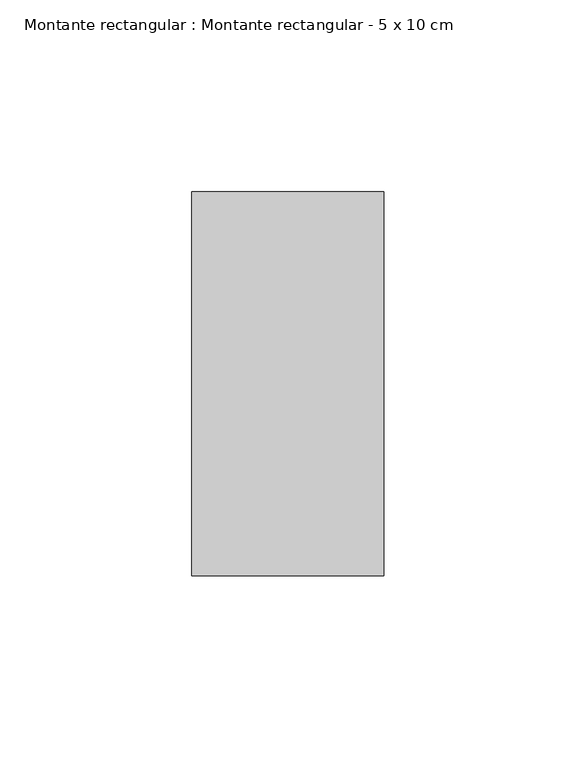
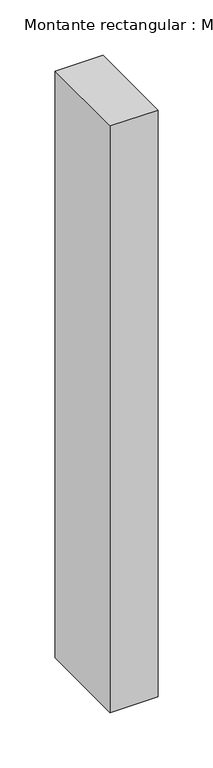
"""IFC4 building model written with IfcOpenShell, lengths in millimetres: member geometry, Montante rectangular : Montante rectangular - 5 x 10 cm."""

from ifc_helpers import new_model, si_unit, frame, origin, place, context, project, spatial, polyline, outline, extrude, source, transform, mapped, element, save


def montante_rectangular_montante_rectangular_5_x_10_cm_a030caf5(model_context):
    return source(origin(), model_context, "Body", "SweptSolid", [
        extrude(outline(polyline([(-50.0, 50.0), (0.0, 50.0), (0.0, -50.0), (-50.0, -50.0), (-50.0, 50.0)])), frame((0.0, 0.0, -649.0), z_axis=(0.0, 0.0, 1.0), x_axis=(1.0, 0.0, 0.0)), (0.0, 0.0, 1.0), 649.0),
    ])


if __name__ == "__main__":
    model = new_model("IFC4")
    model_context = context("Model", 3, world=origin())
    ifc_project = project(units=[si_unit("LENGTHUNIT", "METRE", prefix="MILLI")], contexts=[model_context])
    site = spatial("IfcSite", under=ifc_project)
    building = spatial("IfcBuilding", under=site)
    placement = place(None, origin())
    montante_rectangular_montante_rectangular_5_x_10_cm_shape = montante_rectangular_montante_rectangular_5_x_10_cm_a030caf5(model_context)
    element("IfcMember", 1, ObjectType="Montante rectangular : Montante rectangular - 5 x 10 cm", at=placement, inside=building, context=model_context, shape_type="MappedRepresentation", body=[
        mapped(montante_rectangular_montante_rectangular_5_x_10_cm_shape, transform((0.0, 0.0, 0.0), x_axis=(1.0, 0.0, 0.0), y_axis=(0.0, 1.0, 0.0), z_axis=(0.0, 0.0, 1.0))),
    ])
    save(model, "model.ifc")
